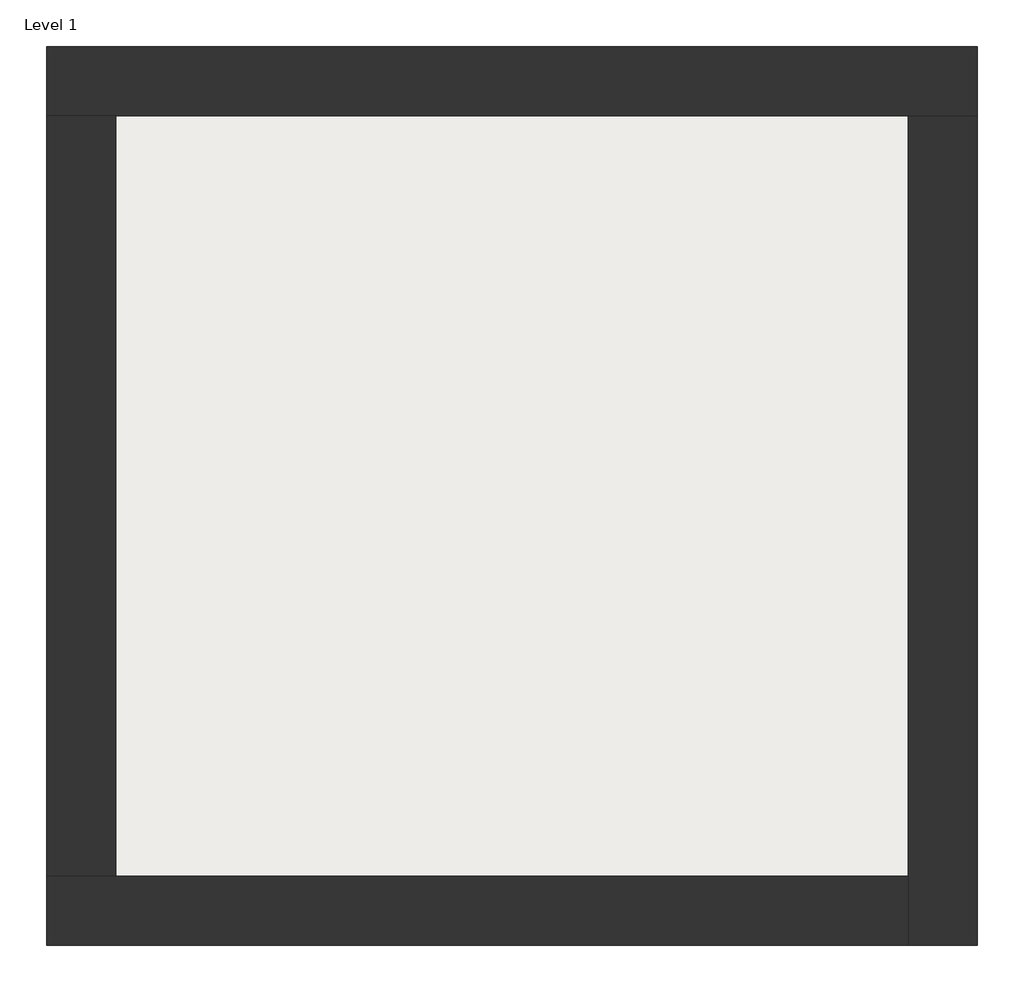
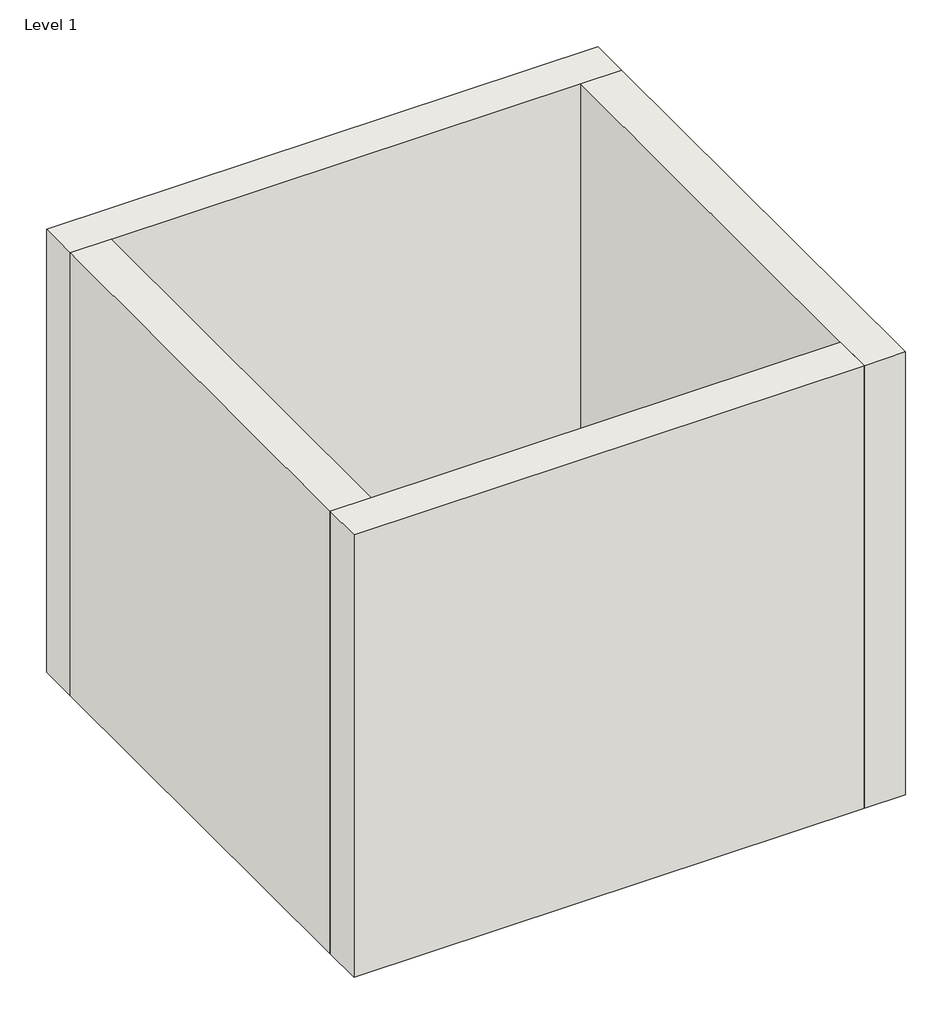
# One storey: 4 walls, 1 slab.
"""IFC4 building model written with IfcOpenShell, lengths in millimetres."""

from ifc_helpers import new_model, si_unit, origin, origin_with_axes, place, context, project, spatial, polyline, outline, extrude, faceted_brep, element, save

model = new_model("IFC4")

# Units and contexts
model_context = context("Model", 3, world=origin())
ifc_project = project(units=[si_unit("LENGTHUNIT", "METRE", prefix="MILLI")], contexts=[model_context])

# Site, building, storey
site = spatial("IfcSite", under=ifc_project)
building = spatial("IfcBuilding", under=site)
storey = spatial("IfcBuildingStorey", under=building, Name="Level 1", Elevation=0.0)

# Slab
placement = place(None, origin())
element("IfcSlab", 1, at=placement, inside=storey, context=model_context, shape_type="SweptSolid", body=[
    extrude(outline(polyline([(-10869.3573003, 6934.2750283), (-10869.3573003, 3058.2750283), (-14907.8573003, 3058.2750283), (-14907.8573003, 6934.2750283), (-10869.3573003, 6934.2750283)])), origin_with_axes(), (0.0, 0.0, 1.0), 90.0),
])

# Walls
element("IfcWall", 2, ObjectType="Exterior - Brick on Mtl. Stud", at=placement, inside=storey, context=model_context, shape_type="Brep", body=[
    faceted_brep([(-15244.8573003, 6921.2750283, 0.0), (-14894.8573003, 6921.2750283, 0.0), (-10882.3573003, 6921.2750283, 0.0), (-10532.3573003, 6921.2750283, 0.0), (-10532.3573003, 6921.2750283, 4000.0), (-10882.3573003, 6921.2750283, 4000.0), (-14894.8573003, 6921.2750283, 4000.0), (-15244.8573003, 6921.2750283, 4000.0), (-15244.8573003, 7271.2750283, 0.0), (-15244.8573003, 7271.2750283, 4000.0), (-10532.3573003, 7271.2750283, 4000.0), (-10532.3573003, 7271.2750283, 0.0)], [[[0, 1, 2, 3, 4, 5, 6, 7]], [[8, 9, 10, 11]], [[3, 2, 1, 0, 8, 11]], [[7, 6, 5, 4, 10, 9]], [[0, 7, 9, 8]], [[4, 3, 11, 10]]]),
])
element("IfcWall", 3, ObjectType="Exterior - Brick on Mtl. Stud", at=placement, inside=storey, context=model_context, shape_type="Brep", body=[
    faceted_brep([(-10882.3573003, 6921.2750283, 0.0), (-10882.3573003, 3071.2750283, 0.0), (-10882.3573003, 2721.2750283, 0.0), (-10882.3573003, 2721.2750283, 4000.0), (-10882.3573003, 3071.2750283, 4000.0), (-10882.3573003, 6921.2750283, 4000.0), (-10532.3573003, 6921.2750283, 0.0), (-10532.3573003, 6921.2750283, 4000.0), (-10532.3573003, 2721.2750283, 4000.0), (-10532.3573003, 2721.2750283, 0.0)], [[[0, 1, 2, 3, 4, 5]], [[6, 7, 8, 9]], [[2, 1, 0, 6, 9]], [[5, 4, 3, 8, 7]], [[3, 2, 9, 8]], [[0, 5, 7, 6]]]),
])
element("IfcWall", 4, ObjectType="Exterior - Brick on Mtl. Stud", at=placement, inside=storey, context=model_context, shape_type="Brep", body=[
    faceted_brep([(-10882.3573003, 3071.2750283, 0.0), (-14894.8573003, 3071.2750283, 0.0), (-15244.8573003, 3071.2750283, 0.0), (-15244.8573003, 3071.2750283, 4000.0), (-14894.8573003, 3071.2750283, 4000.0), (-10882.3573003, 3071.2750283, 4000.0), (-10882.3573003, 2721.2750283, 0.0), (-10882.3573003, 2721.2750283, 4000.0), (-15244.8573003, 2721.2750283, 4000.0), (-15244.8573003, 2721.2750283, 0.0)], [[[0, 1, 2, 3, 4, 5]], [[6, 7, 8, 9]], [[2, 1, 0, 6, 9]], [[5, 4, 3, 8, 7]], [[3, 2, 9, 8]], [[0, 5, 7, 6]]]),
])
element("IfcWall", 5, ObjectType="Exterior - Brick on Mtl. Stud", at=placement, inside=storey, context=model_context, shape_type="SweptSolid", body=[
    extrude(outline(polyline([(-14894.8573003, 6921.2750283), (-14894.8573003, 3071.2750283), (-15244.8573003, 3071.2750283), (-15244.8573003, 6921.2750283), (-14894.8573003, 6921.2750283)])), origin_with_axes(), (0.0, 0.0, 1.0), 4000.0),
])

save(model, "model.ifc")
